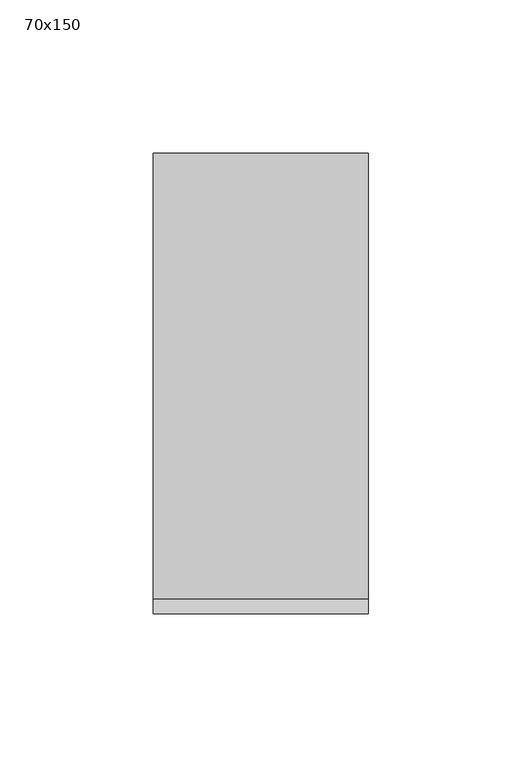
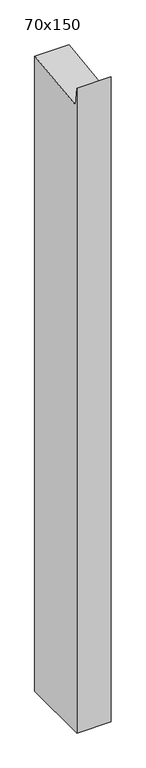
"""IFC4 building model written with IfcOpenShell, lengths in millimetres: member geometry, 70x150."""

from ifc_helpers import new_model, si_unit, frame, origin, place, context, project, spatial, polyline, outline, extrude, source, transform, mapped, element, save


def member_70x150_a3f77bd3(model_context):
    return source(origin(), model_context, "Body", "SweptSolid", [
        extrude(outline(polyline([(-75.0, 30.4253619), (-70.1901706, -8.8558999), (75.0, 8.9220411), (75.0, -1369.5325401), (-75.0, -1369.5325401), (-75.0, 30.4253619)])), frame((-70.0, 0.0, 0.0), z_axis=(1.0, 0.0, 0.0), x_axis=(0.0, 1.0, 0.0)), (0.0, 0.0, 1.0), 70.0),
    ])


if __name__ == "__main__":
    model = new_model("IFC4")
    model_context = context("Model", 3, world=origin())
    ifc_project = project(units=[si_unit("LENGTHUNIT", "METRE", prefix="MILLI")], contexts=[model_context])
    site = spatial("IfcSite", under=ifc_project)
    building = spatial("IfcBuilding", under=site)
    placement = place(None, origin())
    member_70x150_shape = member_70x150_a3f77bd3(model_context)
    element("IfcMember", 1, ObjectType="70x150", at=placement, inside=building, context=model_context, shape_type="MappedRepresentation", body=[
        mapped(member_70x150_shape, transform((0.0, 0.0, 0.0), x_axis=(1.0, 0.0, 0.0), y_axis=(0.0, 1.0, 0.0), z_axis=(0.0, 0.0, 1.0))),
    ])
    save(model, "model.ifc")
